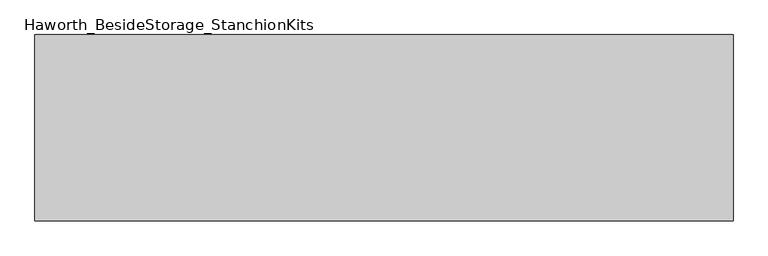
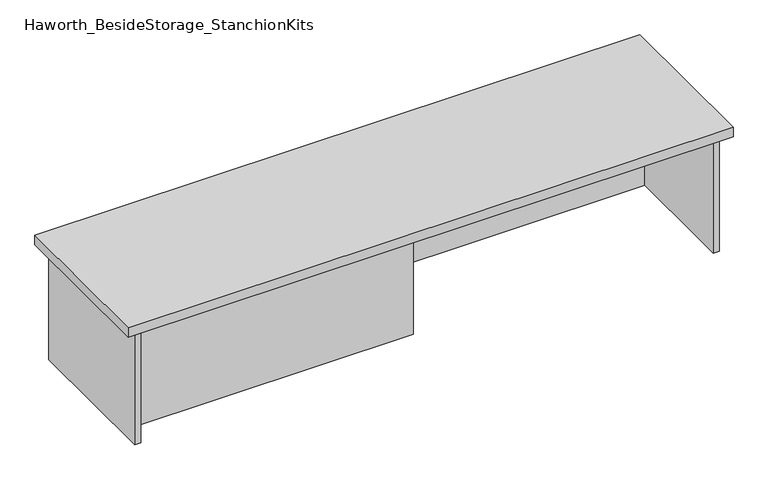
"""IFC4 building model written with IfcOpenShell, lengths in millimetres: furniture geometry, Haworth_BesideStorage_StanchionKits."""

import ifcopenshell
import ifcopenshell.guid

model = None  # the IFC model being written
_history = None  # IfcOwnerHistory: only IFC2X3 demands one
_inside = {}  # id of a spatial element -> (the spatial element, [elements in it])
_under = {}  # id of a project, library or spatial element -> (it, [spatial elements below it])
_declared = {}  # id of a project -> (the project, [libraries it declares])
_typed = {}  # id of a type object -> (the type object, [elements of that type])
_made_of = {}  # id of a material, layer set ... -> (it, [elements and type objects made of it])


def new_model(schema):
    """Start an empty IFC model of exactly this schema.

    Asked for "IFC4X3", IfcOpenShell would pick the latest addendum, in which some entities
    have other attributes; the version numbers below select the first issue.
    IFC2X3 requires an IfcOwnerHistory on every rooted entity: one is made here for all.
    """
    global model, _history
    if schema == "IFC4X3":
        model = ifcopenshell.file(schema_version=(4, 3, 0, 0))
    else:
        model = ifcopenshell.file(schema=schema)
    _inside.clear()
    _under.clear()
    _declared.clear()
    _typed.clear()
    _made_of.clear()
    _history = None
    if model.schema == "IFC2X3":
        org = make("IfcOrganization", Name="unknown")
        user = make(
            "IfcPersonAndOrganization",
            ThePerson=make("IfcPerson", FamilyName="unknown"),
            TheOrganization=org,
        )
        app = make(
            "IfcApplication",
            ApplicationDeveloper=org,
            Version="unknown",
            ApplicationFullName="unknown",
            ApplicationIdentifier="unknown",
        )
        _history = make(
            "IfcOwnerHistory",
            OwningUser=user,
            OwningApplication=app,
            ChangeAction="ADDED",
            CreationDate=0,
        )
    return model


def make(cls, **values):
    """One entity of the class cls with the attributes given. An attribute that is None is left unset."""
    return model.create_entity(
        cls, **{name: value for name, value in values.items() if value is not None}
    )


def rooted(cls, **values):
    """An entity with a GlobalId (a new one), such as an element, a storey or a relation."""
    return make(cls, GlobalId=ifcopenshell.guid.new(), OwnerHistory=_history, **values)


def si_unit(unit_type, name, prefix=None):
    """IfcSIUnit, for example si_unit("LENGTHUNIT", "METRE", prefix="MILLI")."""
    return make("IfcSIUnit", UnitType=unit_type, Prefix=prefix, Name=name)


def assignment(units):
    """IfcUnitAssignment: the units of a project."""
    return None if units is None else make("IfcUnitAssignment", Units=units)


def point(xyz):
    """IfcCartesianPoint."""
    return None if xyz is None else make("IfcCartesianPoint", Coordinates=xyz)


def direction(xyz):
    """IfcDirection."""
    return None if xyz is None else make("IfcDirection", DirectionRatios=xyz)


def frame(location, z_axis=None, x_axis=None):
    """IfcAxis2Placement3D, a coordinate frame: its origin and axes. An axis left out is left unset."""
    return make(
        "IfcAxis2Placement3D",
        Location=point(location),
        Axis=direction(z_axis),
        RefDirection=direction(x_axis),
    )


def origin():
    """The frame at (0, 0, 0) with its axes left unset."""
    return frame((0.0, 0.0, 0.0))


def place(relative_to, where):
    """IfcLocalPlacement: puts the frame where relative to a parent placement (None: the world)."""
    return make(
        "IfcLocalPlacement", PlacementRelTo=relative_to, RelativePlacement=where
    )


def context(
    kind, dimensions, precision=None, world=None, true_north=None, identifier=None
):
    """IfcGeometricRepresentationContext, for example the 3D "Model" context."""
    return make(
        "IfcGeometricRepresentationContext",
        ContextIdentifier=identifier,
        ContextType=kind,
        CoordinateSpaceDimension=dimensions,
        Precision=precision,
        WorldCoordinateSystem=world,
        TrueNorth=true_north,
    )


def project(units=None, contexts=None):
    """IfcProject with its units and contexts."""
    return rooted(
        "IfcProject",
        Name="project",
        RepresentationContexts=contexts,
        UnitsInContext=assignment(units),
    )


def spatial(cls, under=None, at=None, **own):
    """A site, building, storey or space (cls), placed at a placement, below another one or the project."""
    s = rooted(cls, ObjectPlacement=at, **own)
    if under is not None:
        _under.setdefault(under.id(), (under, []))[1].append(s)
    return s


def polyline(points):
    """IfcPolyline through the points."""
    return make("IfcPolyline", Points=[point(p) for p in points])


def outline(outer, holes=None, kind="AREA"):
    """IfcArbitraryClosedProfileDef: a profile drawn as a closed curve; with holes, ...WithVoids."""
    if holes is None:
        return make("IfcArbitraryClosedProfileDef", ProfileType=kind, OuterCurve=outer)
    return make(
        "IfcArbitraryProfileDefWithVoids",
        ProfileType=kind,
        OuterCurve=outer,
        InnerCurves=holes,
    )


def extrude(swept, where, along, depth):
    """IfcExtrudedAreaSolid: the profile swept, set in the frame where, extruded along a direction by depth."""
    return make(
        "IfcExtrudedAreaSolid",
        SweptArea=swept,
        Position=where,
        ExtrudedDirection=direction(along),
        Depth=depth,
    )


def shape(context_of_items, identifier, shape_type, items):
    """IfcShapeRepresentation: the items that make up one representation, for example the "Body"."""
    return make(
        "IfcShapeRepresentation",
        ContextOfItems=context_of_items,
        RepresentationIdentifier=identifier,
        RepresentationType=shape_type,
        Items=items,
    )


def source(mapping_origin, context_of_items, identifier, shape_type, items):
    """IfcRepresentationMap: a shape defined once, which mapped items show again and again."""
    return make(
        "IfcRepresentationMap",
        MappingOrigin=mapping_origin,
        MappedRepresentation=shape(context_of_items, identifier, shape_type, items),
    )


def transform(
    local_origin,
    x_axis=None,
    y_axis=None,
    z_axis=None,
    scale=None,
    scale2=None,
    scale3=None,
    uniform=True,
):
    """IfcCartesianTransformationOperator3D, or its non-uniform kind. x_axis, y_axis, z_axis: its Axis1, 2, 3."""
    if uniform:
        return make(
            "IfcCartesianTransformationOperator3D",
            Axis1=direction(x_axis),
            Axis2=direction(y_axis),
            LocalOrigin=point(local_origin),
            Scale=scale,
            Axis3=direction(z_axis),
        )
    return make(
        "IfcCartesianTransformationOperator3DnonUniform",
        Axis1=direction(x_axis),
        Axis2=direction(y_axis),
        LocalOrigin=point(local_origin),
        Scale=scale,
        Axis3=direction(z_axis),
        Scale2=scale2,
        Scale3=scale3,
    )


def mapped(mapping_source, mapping_target):
    """IfcMappedItem: shows the shape of a source again, moved by a transform."""
    return make(
        "IfcMappedItem", MappingSource=mapping_source, MappingTarget=mapping_target
    )


def made_of(thing, what):
    """Note that an element or type object is made of a material, layer set ...; save() writes the relation."""
    if what is not None:
        _made_of.setdefault(what.id(), (what, []))[1].append(thing)
    return thing


def element(
    cls,
    number,
    at=None,
    inside=None,
    cuts=None,
    type_object=None,
    material=None,
    context=None,
    identifier="Body",
    shape_type=None,
    held_by="IfcProductDefinitionShape",
    body=None,
    shapes=None,
    **own,
):
    """One element of the class cls, such as IfcWall. Its Tag is "e" and its number.

    at: its placement. inside: the storey or other place that contains it. cuts: it is an
    opening in that element (IfcRelVoidsElement). A single representation is given by context,
    identifier, shape_type and body (its items); several are given by shapes. held_by: the class
    of the entity that holds the representations. save() writes the other relations.
    """
    e = rooted(cls, Tag="e%d" % number, ObjectPlacement=at, **own)
    if body is not None:
        shapes = [shape(context, identifier, shape_type, body)]
    if shapes is not None:
        e.Representation = make(held_by, Representations=shapes)
    if inside is not None:
        _inside.setdefault(inside.id(), (inside, []))[1].append(e)
    if cuts is not None:
        rooted(
            "IfcRelVoidsElement", RelatingBuildingElement=cuts, RelatedOpeningElement=e
        )
    if type_object is not None:
        _typed.setdefault(type_object.id(), (type_object, []))[1].append(e)
    return made_of(e, material)


def aggregate(whole, parts):
    """IfcRelAggregates: a whole, such as a stair, and the parts it consists of."""
    return rooted("IfcRelAggregates", RelatingObject=whole, RelatedObjects=parts)


def save(model, path):
    """Write the relations noted so far, then the file.

    IfcRelAggregates (storeys below a building ...), IfcRelContainedInSpatialStructure (elements
    in a storey), IfcRelDefinesByType, IfcRelAssociatesMaterial and IfcRelDeclares: one each for
    every whole, place, type object, material and project.
    """
    for whole, parts in _under.values():
        aggregate(whole, parts)
    for where, things in _inside.values():
        rooted(
            "IfcRelContainedInSpatialStructure",
            RelatedElements=things,
            RelatingStructure=where,
        )
    for kind, things in _typed.values():
        rooted("IfcRelDefinesByType", RelatedObjects=things, RelatingType=kind)
    for what, things in _made_of.values():
        rooted("IfcRelAssociatesMaterial", RelatedObjects=things, RelatingMaterial=what)
    for by, libraries in _declared.values():
        rooted("IfcRelDeclares", RelatingContext=by, RelatedDefinitions=libraries)
    model.write(path)


def haworth_besidestorage_stanchionkits_c2f9c271(model_context):
    return source(origin(), model_context, "Body", "SweptSolid", [
        extrude(outline(polyline([(923.925, 0.0), (923.925, -406.4), (-600.075, -406.4), (-600.075, 0.0), (923.925, 0.0)])), frame((0.0, 0.0, 736.6), z_axis=(0.0, 0.0, 1.0), x_axis=(1.0, 0.0, 0.0)), (0.0, 0.0, 1.0), 25.4),
        extrude(outline(polyline([(161.925, -76.2), (882.65, -76.2), (882.65, -92.075), (161.925, -92.075), (161.925, -76.2)])), frame((0.0, 0.0, 431.8), z_axis=(0.0, 0.0, 1.0), x_axis=(1.0, 0.0, 0.0)), (0.0, 0.0, 1.0), 304.8),
        extrude(outline(polyline([(161.925, -314.325), (161.925, -330.2), (-558.8, -330.2), (-558.8, -314.325), (161.925, -314.325)])), frame((0.0, 0.0, 431.8), z_axis=(0.0, 0.0, 1.0), x_axis=(1.0, 0.0, 0.0)), (0.0, 0.0, 1.0), 304.8),
        extrude(outline(polyline([(898.525, -390.525), (882.65, -390.525), (882.65, -15.875), (898.525, -15.875), (898.525, -390.525)])), frame((0.0, 0.0, 431.8), z_axis=(0.0, 0.0, 1.0), x_axis=(1.0, 0.0, 0.0)), (0.0, 0.0, 1.0), 304.8),
        extrude(outline(polyline([(-558.8, -390.525), (-574.675, -390.525), (-574.675, -15.875), (-558.8, -15.875), (-558.8, -390.525)])), frame((0.0, 0.0, 431.8), z_axis=(0.0, 0.0, 1.0), x_axis=(1.0, 0.0, 0.0)), (0.0, 0.0, 1.0), 304.8),
    ])


if __name__ == "__main__":
    model = new_model("IFC4")
    model_context = context("Model", 3, world=origin())
    ifc_project = project(units=[si_unit("LENGTHUNIT", "METRE", prefix="MILLI")], contexts=[model_context])
    site = spatial("IfcSite", under=ifc_project)
    building = spatial("IfcBuilding", under=site)
    placement = place(None, origin())
    haworth_besidestorage_stanchionkits_shape = haworth_besidestorage_stanchionkits_c2f9c271(model_context)
    element("IfcFurniture", 1, ObjectType="Haworth_BesideStorage_StanchionKits", at=placement, inside=building, context=model_context, shape_type="MappedRepresentation", body=[
        mapped(haworth_besidestorage_stanchionkits_shape, transform((0.0, 0.0, 0.0), x_axis=(1.0, 0.0, 0.0), y_axis=(0.0, 1.0, 0.0), z_axis=(0.0, 0.0, 1.0))),
    ])
    save(model, "model.ifc")
